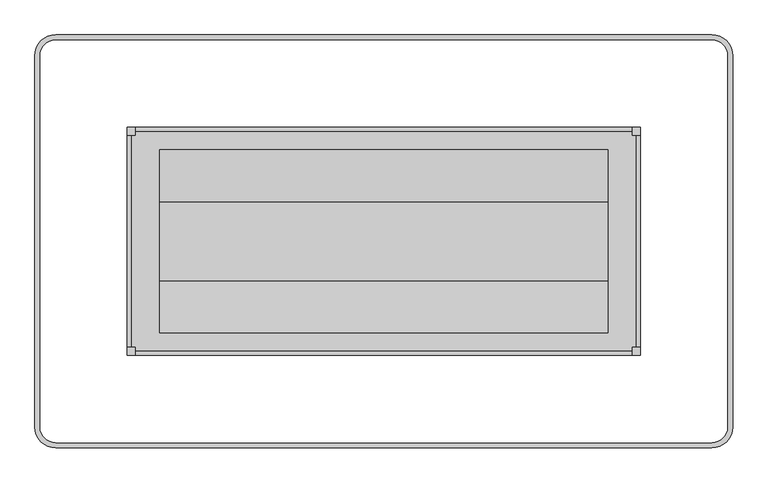
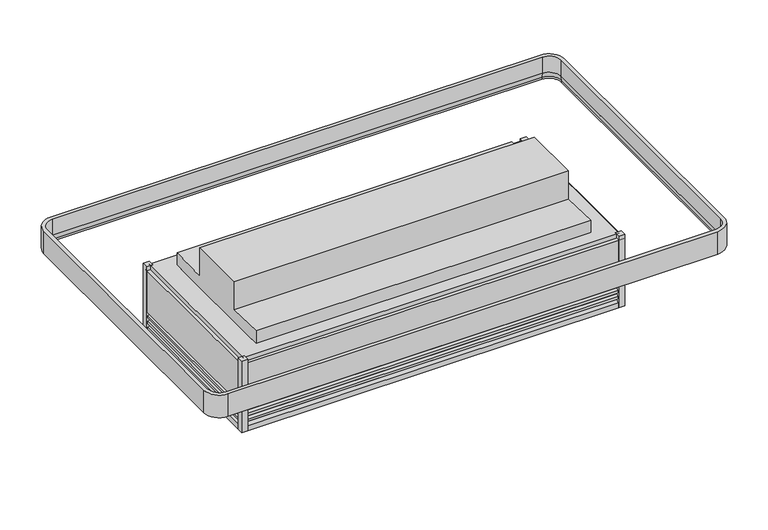
"""IFC4 building model written with IfcOpenShell, lengths in millimetres: proxy geometry."""

from ifc_helpers import new_model, si_unit, point, frame, frame_2d, origin, origin_with_axes, place, context, project, spatial, polyline, circle_curve, ellipse_curve, trimmed, segment, composite_curve, outline, extrude, source, transform, mapped, element, save
from ifc_brep_helpers import plane_surface, cylinder_surface, revolved_surface, advanced_brep


def mechanical_equipment_e218e423(model_context):
    return source(origin(), model_context, "Body", "SolidModel", [
        extrude(outline(polyline([(1866.6846585, -1349.5419805), (2171.4846585, -1349.5419805), (2171.4846585, -1451.1419805), (1866.6846585, -1451.1419805), (1866.6846585, -1349.5419805)])), frame((0.0, 0.0, 139.7), z_axis=(0.0, 0.0, 1.0), x_axis=(1.0, 0.0, 0.0)), (0.0, 0.0, 1.0), 53.975),
        extrude(outline(polyline([(2260.1606927, -1585.0986858), (2260.1606927, -1555.06782), (2290.1915585, -1555.06782), (2290.1915585, -1585.0986858), (2260.1606927, -1585.0986858)])), origin_with_axes(), (0.0, 0.0, 1.0), 374.65),
        extrude(outline(polyline([(2260.1606927, -741.6905688), (2290.1915585, -741.6905688), (2290.1915585, -771.7214346), (2260.1606927, -771.7214346), (2260.1606927, -741.6905688)])), origin_with_axes(), (0.0, 0.0, 1.0), 374.65),
        extrude(outline(polyline([(422.7143073, -1585.0986858), (392.6834415, -1585.0986858), (392.6834415, -1555.06782), (422.7143073, -1555.06782), (422.7143073, -1585.0986858)])), origin_with_axes(), (0.0, 0.0, 1.0), 374.65),
        extrude(outline(polyline([(422.7143073, -741.6905688), (422.7143073, -771.7214346), (392.6834415, -771.7214346), (392.6834415, -741.6905688), (422.7143073, -741.6905688)])), origin_with_axes(), (0.0, 0.0, 1.0), 374.65),
        advanced_brep(
        [(71.1725663, -1849.24485, 418.2976265), (128.5372773, -1906.609561, 418.2976265), (128.5372773, -1910.71285, 395.026718), (67.0692773, -1849.24485, 395.026718), (71.1725663, -1849.24485, 502.405218), (128.5372773, -1906.609561, 502.405218), (52.3316708, -1849.24485, 384.485718), (128.5372773, -1925.4504565, 384.485718), (128.5372773, -1925.4504565, 502.405218), (52.3316708, -1849.24485, 502.405218), (128.5372773, -1910.71285, 384.485718), (67.0692773, -1849.24485, 384.485718), (67.0692773, -477.5444046, 395.026718), (71.1725663, -477.5444046, 418.2976265), (71.1725663, -477.5444046, 502.405218), (52.3316708, -477.5444046, 502.405218), (52.3316708, -477.5444046, 384.485718), (67.0692773, -477.5444046, 384.485718), (128.5372773, -420.1796936, 418.2976265), (128.5372773, -416.0764046, 395.026718), (128.5372773, -420.1796936, 502.405218), (128.5372773, -401.3387981, 384.485718), (128.5372773, -401.3387981, 502.405218), (128.5372773, -416.0764046, 384.485718), (2554.3377227, -416.0764046, 395.026718), (2554.3377227, -420.1796936, 418.2976265), (2554.3377227, -420.1796936, 502.405218), (2554.3377227, -401.3387981, 502.405218), (2554.3377227, -401.3387981, 384.485718), (2554.3377227, -416.0764046, 384.485718), (2611.7024337, -477.5444046, 418.2976265), (2615.8057227, -477.5444046, 395.026718), (2611.7024337, -477.5444046, 502.405218), (2630.5433292, -477.5444046, 384.485718), (2630.5433292, -477.5444046, 502.405218), (2615.8057227, -477.5444046, 384.485718), (2615.8057227, -1849.24485, 395.026718), (2611.7024337, -1849.24485, 418.2976265), (2611.7024337, -1849.24485, 502.405218), (2630.5433292, -1849.24485, 502.405218), (2630.5433292, -1849.24485, 384.485718), (2615.8057227, -1849.24485, 384.485718), (2554.3377227, -1906.609561, 418.2976265), (2554.3377227, -1910.71285, 395.026718), (2554.3377227, -1906.609561, 502.405218), (2554.3377227, -1925.4504565, 384.485718), (2554.3377227, -1925.4504565, 502.405218), (2554.3377227, -1910.71285, 384.485718)],
        [
            (0, 1, circle_curve(frame((128.5372773, -1849.24485, 418.2976265), z_axis=(0.0, 0.0, 1.0), x_axis=(0.0, -1.0, 0.0)), 57.364711)),
            (1, 2),
            (2, 3, circle_curve(frame((128.5372773, -1849.24485, 395.026718), z_axis=(0.0, 0.0, -1.0), x_axis=(0.0, -1.0, 0.0)), 61.468)),
            (3, 0),
            (4, 5, circle_curve(frame((128.5372773, -1849.24485, 502.405218), z_axis=(0.0, 0.0, 1.0), x_axis=(0.0, -1.0, 0.0)), 57.364711)),
            (5, 1),
            (0, 4),
            (6, 7, circle_curve(frame((128.5372773, -1849.24485, 384.485718), z_axis=(0.0, 0.0, 1.0), x_axis=(0.0, -1.0, 0.0)), 76.2056065)),
            (7, 8),
            (8, 9, circle_curve(frame((128.5372773, -1849.24485, 502.405218), z_axis=(0.0, 0.0, -1.0), x_axis=(0.0, -1.0, 0.0)), 76.2056065)),
            (9, 6),
            (2, 10),
            (10, 11, circle_curve(frame((128.5372773, -1849.24485, 384.485718), z_axis=(0.0, 0.0, -1.0), x_axis=(0.0, -1.0, 0.0)), 61.468)),
            (11, 3),
            (3, 12),
            (12, 13),
            (13, 0),
            (13, 14),
            (14, 4),
            (9, 15),
            (15, 16),
            (16, 6),
            (11, 17),
            (17, 12),
            (18, 13, circle_curve(frame((128.5372773, -477.5444046, 418.2976265), z_axis=(0.0, 0.0, 1.0), x_axis=(-1.0, 0.0, 0.0)), 57.364711)),
            (12, 19, circle_curve(frame((128.5372773, -477.5444046, 395.026718), z_axis=(0.0, 0.0, -1.0), x_axis=(-1.0, 0.0, 0.0)), 61.468)),
            (19, 18),
            (20, 14, circle_curve(frame((128.5372773, -477.5444046, 502.405218), z_axis=(0.0, 0.0, 1.0), x_axis=(-1.0, 0.0, 0.0)), 57.364711)),
            (18, 20),
            (21, 16, circle_curve(frame((128.5372773, -477.5444046, 384.485718), z_axis=(0.0, 0.0, 1.0), x_axis=(-1.0, 0.0, 0.0)), 76.2056065)),
            (15, 22, circle_curve(frame((128.5372773, -477.5444046, 502.405218), z_axis=(0.0, 0.0, -1.0), x_axis=(-1.0, 0.0, 0.0)), 76.2056065)),
            (22, 21),
            (17, 23, circle_curve(frame((128.5372773, -477.5444046, 384.485718), z_axis=(0.0, 0.0, -1.0), x_axis=(-1.0, 0.0, 0.0)), 61.468)),
            (23, 19),
            (19, 24),
            (24, 25),
            (25, 18),
            (25, 26),
            (26, 20),
            (22, 27),
            (27, 28),
            (28, 21),
            (23, 29),
            (29, 24),
            (30, 25, circle_curve(frame((2554.3377227, -477.5444046, 418.2976265), z_axis=(0.0, 0.0, 1.0), x_axis=(0.0, 1.0, 0.0)), 57.364711)),
            (24, 31, circle_curve(frame((2554.3377227, -477.5444046, 395.026718), z_axis=(0.0, 0.0, -1.0), x_axis=(0.0, 1.0, 0.0)), 61.468)),
            (31, 30),
            (32, 26, circle_curve(frame((2554.3377227, -477.5444046, 502.405218), z_axis=(0.0, 0.0, 1.0), x_axis=(0.0, 1.0, 0.0)), 57.364711)),
            (30, 32),
            (33, 28, circle_curve(frame((2554.3377227, -477.5444046, 384.485718), z_axis=(0.0, 0.0, 1.0), x_axis=(0.0, 1.0, 0.0)), 76.2056065)),
            (27, 34, circle_curve(frame((2554.3377227, -477.5444046, 502.405218), z_axis=(0.0, 0.0, -1.0), x_axis=(0.0, 1.0, 0.0)), 76.2056065)),
            (34, 33),
            (29, 35, circle_curve(frame((2554.3377227, -477.5444046, 384.485718), z_axis=(0.0, 0.0, -1.0), x_axis=(0.0, 1.0, 0.0)), 61.468)),
            (35, 31),
            (31, 36),
            (36, 37),
            (37, 30),
            (37, 38),
            (38, 32),
            (34, 39),
            (39, 40),
            (40, 33),
            (35, 41),
            (41, 36),
            (42, 37, circle_curve(frame((2554.3377227, -1849.24485, 418.2976265), z_axis=(0.0, 0.0, 1.0), x_axis=(1.0, 0.0, 0.0)), 57.364711)),
            (36, 43, circle_curve(frame((2554.3377227, -1849.24485, 395.026718), z_axis=(0.0, 0.0, -1.0), x_axis=(1.0, 0.0, 0.0)), 61.468)),
            (43, 42),
            (44, 38, circle_curve(frame((2554.3377227, -1849.24485, 502.405218), z_axis=(0.0, 0.0, 1.0), x_axis=(1.0, 0.0, 0.0)), 57.364711)),
            (42, 44),
            (45, 40, circle_curve(frame((2554.3377227, -1849.24485, 384.485718), z_axis=(0.0, 0.0, 1.0), x_axis=(1.0, 0.0, 0.0)), 76.2056065)),
            (39, 46, circle_curve(frame((2554.3377227, -1849.24485, 502.405218), z_axis=(0.0, 0.0, -1.0), x_axis=(1.0, 0.0, 0.0)), 76.2056065)),
            (46, 45),
            (41, 47, circle_curve(frame((2554.3377227, -1849.24485, 384.485718), z_axis=(0.0, 0.0, -1.0), x_axis=(1.0, 0.0, 0.0)), 61.468)),
            (47, 43),
            (43, 2),
            (1, 42),
            (5, 44),
            (8, 46),
            (7, 45),
            (10, 47),
        ],
        [
            revolved_surface(polyline([(128.5372773, -1910.71285, 395.026718), (128.5372773, -1906.609561, 418.2976265)]), (128.5372773, -1849.24485, 0.0), (0.0, 0.0, -1.0)),
            revolved_surface(polyline([(128.5372773, -1906.609561, 418.2976265), (128.5372773, -1906.609561, 502.405218)]), (128.5372773, -1849.24485, 0.0), (0.0, 0.0, -1.0)),
            cylinder_surface(frame((128.5372773, -1849.24485, 0.0), z_axis=(0.0, 0.0, -1.0), x_axis=(0.0, -1.0, 0.0)), 76.2056065),
            revolved_surface(polyline([(128.5372773, -1910.7128500000001, 384.485718), (128.5372773, -1910.7128500000001, 395.026718)]), (128.5372773, -1849.24485, 0.0), (0.0, 0.0, -1.0)),
            plane_surface(frame((67.0692773, -1849.24485, 395.026718), z_axis=(0.9848077530122059, 0.0, -0.17364817766694263), x_axis=(0.0, 1.0, 0.0))),
            plane_surface(frame((71.1725663, -1849.24485, 418.2976265), z_axis=(1.0, 0.0, 0.0), x_axis=(0.0, 1.0, 0.0))),
            plane_surface(frame((52.3316708, -1849.24485, 502.405218), z_axis=(-1.0, 0.0, 0.0), x_axis=(0.0, 1.0, 0.0))),
            plane_surface(frame((67.0692773, -1849.24485, 384.485718), z_axis=(1.0, 0.0, 0.0), x_axis=(0.0, 1.0, 0.0))),
            revolved_surface(polyline([(67.0692773, -477.5444046, 395.026718), (71.1725663, -477.5444046, 418.2976265)]), (128.5372773, -477.5444046, 0.0), (0.0, 0.0, -1.0)),
            revolved_surface(polyline([(71.1725663, -477.5444046, 418.2976265), (71.1725663, -477.5444046, 502.405218)]), (128.5372773, -477.5444046, 0.0), (0.0, 0.0, -1.0)),
            cylinder_surface(frame((128.5372773, -477.5444046, 0.0), z_axis=(0.0, 0.0, -1.0), x_axis=(-1.0, 0.0, 0.0)), 76.2056065),
            revolved_surface(polyline([(67.0692773, -477.5444046, 384.485718), (67.0692773, -477.5444046, 395.026718)]), (128.5372773, -477.5444046, 0.0), (0.0, 0.0, -1.0)),
            plane_surface(frame((128.5372773, -416.0764046, 395.026718), z_axis=(0.0, -0.9848077530122059, -0.17364817766694263), x_axis=(1.0, 0.0, 0.0))),
            plane_surface(frame((128.5372773, -420.1796936, 418.2976265), z_axis=(0.0, -1.0, 0.0), x_axis=(1.0, 0.0, 0.0))),
            plane_surface(frame((128.5372773, -401.3387981, 502.405218), z_axis=(0.0, 1.0, 0.0), x_axis=(1.0, 0.0, 0.0))),
            plane_surface(frame((128.5372773, -416.0764046, 384.485718), z_axis=(0.0, -1.0, 0.0), x_axis=(1.0, 0.0, 0.0))),
            revolved_surface(polyline([(2554.3377227, -416.0764046, 395.026718), (2554.3377227, -420.1796936, 418.2976265)]), (2554.3377227, -477.5444046, 0.0), (0.0, 0.0, -1.0)),
            revolved_surface(polyline([(2554.3377227, -420.1796936, 418.2976265), (2554.3377227, -420.1796936, 502.405218)]), (2554.3377227, -477.5444046, 0.0), (0.0, 0.0, -1.0)),
            cylinder_surface(frame((2554.3377227, -477.5444046, 0.0), z_axis=(0.0, 0.0, -1.0), x_axis=(0.0, 1.0, 0.0)), 76.2056065),
            revolved_surface(polyline([(2554.3377227, -416.0764046, 384.485718), (2554.3377227, -416.0764046, 395.026718)]), (2554.3377227, -477.5444046, 0.0), (0.0, 0.0, -1.0)),
            plane_surface(frame((2615.8057227, -477.5444046, 395.026718), z_axis=(-0.9848077530122059, 0.0, -0.17364817766694263), x_axis=(0.0, -1.0, 0.0))),
            plane_surface(frame((2611.7024337, -477.5444046, 418.2976265), z_axis=(-1.0, 0.0, 0.0), x_axis=(0.0, -1.0, 0.0))),
            plane_surface(frame((2630.5433292, -477.5444046, 502.405218), z_axis=(1.0, 0.0, 0.0), x_axis=(0.0, -1.0, 0.0))),
            plane_surface(frame((2615.8057227, -477.5444046, 384.485718), z_axis=(-1.0, 0.0, 0.0), x_axis=(0.0, -1.0, 0.0))),
            revolved_surface(polyline([(2615.8057227, -1849.24485, 395.026718), (2611.7024337, -1849.24485, 418.2976265)]), (2554.3377227, -1849.24485, 0.0), (0.0, 0.0, -1.0)),
            revolved_surface(polyline([(2611.7024337000003, -1849.24485, 418.2976265), (2611.7024337000003, -1849.24485, 502.405218)]), (2554.3377227, -1849.24485, 0.0), (0.0, 0.0, -1.0)),
            cylinder_surface(frame((2554.3377227, -1849.24485, 0.0), z_axis=(0.0, 0.0, -1.0), x_axis=(1.0, 0.0, 0.0)), 76.2056065),
            revolved_surface(polyline([(2615.8057227, -1849.24485, 384.485718), (2615.8057227, -1849.24485, 395.026718)]), (2554.3377227, -1849.24485, 0.0), (0.0, 0.0, -1.0)),
            plane_surface(frame((2554.3377227, -1910.71285, 395.026718), z_axis=(0.0, 0.9848077530122059, -0.17364817766694263), x_axis=(-1.0, 0.0, 0.0))),
            plane_surface(frame((2554.3377227, -1906.609561, 418.2976265), z_axis=(0.0, 1.0, 0.0), x_axis=(-1.0, 0.0, 0.0))),
            plane_surface(frame((2554.3377227, -1906.609561, 502.405218), z_axis=(0.0, 0.0, 1.0), x_axis=(-1.0, 0.0, 0.0))),
            plane_surface(frame((2554.3377227, -1925.4504565, 502.405218), z_axis=(0.0, -1.0, 0.0), x_axis=(-1.0, 0.0, 0.0))),
            plane_surface(frame((2554.3377227, -1925.4504565, 384.485718), z_axis=(0.0, 0.0, -1.0), x_axis=(-1.0, 0.0, 0.0))),
            plane_surface(frame((2554.3377227, -1910.71285, 384.485718), z_axis=(0.0, 1.0, 0.0), x_axis=(-1.0, 0.0, 0.0))),
        ],
        [
            (0, [[1, 2, 3, 4]]),
            (1, [[5, 6, -1, 7]]),
            (2, [[8, 9, 10, 11]]),
            (3, [[-3, 12, 13, 14]]),
            (4, [[-4, 15, 16, 17]]),
            (5, [[-7, -17, 18, 19]]),
            (6, [[-11, 20, 21, 22]]),
            (7, [[-14, 23, 24, -15]]),
            (8, [[25, -16, 26, 27]]),
            (9, [[28, -18, -25, 29]]),
            (10, [[30, -21, 31, 32]]),
            (11, [[-26, -24, 33, 34]]),
            (12, [[-27, 35, 36, 37]]),
            (13, [[-29, -37, 38, 39]]),
            (14, [[-32, 40, 41, 42]]),
            (15, [[-34, 43, 44, -35]]),
            (16, [[45, -36, 46, 47]]),
            (17, [[48, -38, -45, 49]]),
            (18, [[50, -41, 51, 52]]),
            (19, [[-46, -44, 53, 54]]),
            (20, [[-47, 55, 56, 57]]),
            (21, [[-49, -57, 58, 59]]),
            (22, [[-52, 60, 61, 62]]),
            (23, [[-54, 63, 64, -55]]),
            (24, [[65, -56, 66, 67]]),
            (25, [[68, -58, -65, 69]]),
            (26, [[70, -61, 71, 72]]),
            (27, [[-66, -64, 73, 74]]),
            (28, [[-67, 75, -2, 76]]),
            (29, [[-69, -76, -6, 77]]),
            (30, [[78, -71, -60, -51, -40, -31, -20, -10], [-59, -68, -77, -5, -19, -28, -39, -48]]),
            (31, [[-72, -78, -9, 79]]),
            (32, [[-62, -70, -79, -8, -22, -30, -42, -50], [80, -73, -63, -53, -43, -33, -23, -13]]),
            (33, [[-74, -80, -12, -75]]),
        ],
    ),
        extrude(outline(composite_curve([segment(trimmed(circle_curve(frame_2d((1341.4375, -1163.895984)), 19.05), [point((1322.3875, -1163.895984))], [point((1360.4875, -1163.895984))], False, "CARTESIAN"), True, "CONTINUOUS"), segment(trimmed(circle_curve(frame_2d((1341.4375, -1163.895984)), 19.05), [point((1360.4875, -1163.895984))], [point((1322.3875, -1163.895984))], False, "CARTESIAN"), True, "CONTINUOUS")], self_intersect=False)), frame((0.0, 0.0, 65.7084982), z_axis=(0.0, 0.0, 1.0), x_axis=(1.0, 0.0, 0.0)), (0.0, 0.0, 1.0), 188.2915018),
        extrude(outline(composite_curve([segment(trimmed(circle_curve(frame_2d((927.243196, -839.5446273)), 11.1125), [point((916.130696, -839.5446273))], [point((938.355696, -839.5446273))], False, "CARTESIAN"), True, "CONTINUOUS"), segment(trimmed(circle_curve(frame_2d((927.243196, -839.5446273)), 11.1125), [point((938.355696, -839.5446273))], [point((916.130696, -839.5446273))], False, "CARTESIAN"), True, "CONTINUOUS")], self_intersect=False)), frame((0.0, 0.0, 76.8737583), z_axis=(0.0, 0.0, 1.0), x_axis=(1.0, 0.0, 0.0)), (0.0, 0.0, 1.0), 177.1262417),
        extrude(outline(composite_curve([segment(trimmed(circle_curve(frame_2d((952.1028435, -839.5446273)), 4.7625), [point((947.3403435, -839.5446273))], [point((956.8653435, -839.5446273))], False, "CARTESIAN"), True, "CONTINUOUS"), segment(trimmed(circle_curve(frame_2d((952.1028435, -839.5446273)), 4.7625), [point((956.8653435, -839.5446273))], [point((947.3403435, -839.5446273))], False, "CARTESIAN"), True, "CONTINUOUS")], self_intersect=False)), frame((0.0, 0.0, 76.8737583), z_axis=(0.0, 0.0, 1.0), x_axis=(1.0, 0.0, 0.0)), (0.0, 0.0, 1.0), 177.1262417),
        advanced_brep(
        [(392.9194211, -1584.8627062, 354.3983804), (392.9194211, -1584.8627062, 139.7), (2289.9555789, -1584.8627062, 139.7), (2289.9555789, -1584.8627062, 354.3983804), (410.8264211, -1566.9557062, 374.65), (410.8264211, -1566.9557062, 354.3983804), (2272.0485789, -1566.9557062, 354.3983804), (2272.0485789, -1566.9557062, 374.65), (512.4264211, -1465.3557062, 139.7), (512.4264211, -1465.3557062, 374.65), (2170.4485789, -1465.3557062, 374.65), (2170.4485789, -1465.3557062, 198.7540798), (1863.3866321, -1465.3557062, 198.7540798), (1863.3866321, -1465.3557062, 139.7), (2289.9555789, -741.9265484, 139.7), (2289.9555789, -741.9265484, 354.3983804), (2272.0485789, -759.8335484, 354.3983804), (2272.0485789, -759.8335484, 374.65), (2170.4485789, -861.4335484, 374.65), (2170.4485789, -861.4335484, 139.7), (2170.4485789, -1332.4893336, 139.7), (2170.4485789, -1332.4893336, 198.7540798), (392.9194211, -741.9265484, 139.7), (392.9194211, -741.9265484, 354.3983804), (410.8264211, -759.8335484, 354.3983804), (410.8264211, -759.8335484, 374.65), (512.4264211, -861.4335484, 374.65), (512.4264211, -861.4335484, 139.7), (918.3888558, -861.4335484, 139.7), (918.3888558, -861.4335484, 254.0), (964.3861442, -861.4335484, 254.0), (964.3861442, -861.4335484, 139.7), (1863.3866321, -1468.1946273, 139.7), (2174.5366321, -1468.1946273, 139.7), (2174.5366321, -1332.4893336, 139.7), (973.1375, -839.5446273, 139.7), (909.6375, -839.5446273, 139.7), (909.6375, -839.5446273, 254.0), (973.1375, -839.5446273, 254.0), (2174.5366321, -1332.4893336, 198.7540798), (2174.5366321, -1468.1946273, 198.7540798), (1863.3866321, -1468.1946273, 198.7540798)],
        [
            (0, 1),
            (1, 2),
            (2, 3),
            (3, 0),
            (4, 5),
            (5, 6),
            (6, 7),
            (7, 4),
            (8, 9),
            (9, 10),
            (10, 11),
            (11, 12),
            (12, 13),
            (13, 8),
            (2, 14),
            (14, 15),
            (15, 3),
            (6, 16),
            (16, 17),
            (17, 7),
            (10, 18),
            (18, 19),
            (19, 20),
            (20, 21),
            (21, 11),
            (14, 22),
            (22, 23),
            (23, 15),
            (16, 24),
            (24, 25),
            (25, 17),
            (18, 26),
            (26, 27),
            (27, 28),
            (28, 29),
            (29, 30),
            (30, 31),
            (31, 19),
            (0, 23),
            (22, 1),
            (5, 24),
            (4, 25),
            (9, 26),
            (8, 27),
            (13, 32),
            (32, 33),
            (33, 34),
            (34, 20),
            (31, 35, circle_curve(frame((941.3875, -839.5446273, 139.7), z_axis=(0.0, 0.0, 1.0), x_axis=(1.0, 0.0, 0.0)), 31.75)),
            (35, 36, circle_curve(frame((941.3875, -839.5446273, 139.7), z_axis=(0.0, 0.0, 1.0), x_axis=(1.0, 0.0, 0.0)), 31.75)),
            (36, 28, circle_curve(frame((941.3875, -839.5446273, 139.7), z_axis=(0.0, 0.0, 1.0), x_axis=(1.0, 0.0, 0.0)), 31.75)),
            (37, 38, circle_curve(frame((941.3875, -839.5446273, 254.0), z_axis=(0.0, 0.0, -1.0), x_axis=(1.0, 0.0, 0.0)), 31.75)),
            (38, 30, circle_curve(frame((941.3875, -839.5446273, 254.0), z_axis=(0.0, 0.0, -1.0), x_axis=(1.0, 0.0, 0.0)), 31.75)),
            (29, 37, circle_curve(frame((941.3875, -839.5446273, 254.0), z_axis=(0.0, 0.0, -1.0), x_axis=(1.0, 0.0, 0.0)), 31.75)),
            (38, 35),
            (36, 37),
            (39, 40),
            (40, 41),
            (41, 12),
            (21, 39),
            (40, 33),
            (32, 41),
            (39, 34),
        ],
        [
            plane_surface(frame((392.9194211, -1584.8627062, 139.7), z_axis=(0.0, -1.0, 0.0), x_axis=(1.0, 0.0, 0.0))),
            plane_surface(frame((410.8264211, -1566.9557062, 354.3983804), z_axis=(0.0, -1.0, 0.0), x_axis=(1.0, 0.0, 0.0))),
            plane_surface(frame((512.4264211, -1465.3557062, 374.65), z_axis=(0.0, 1.0, 0.0), x_axis=(1.0, 0.0, 0.0))),
            plane_surface(frame((2289.9555789, -1584.8627062, 139.7), z_axis=(1.0, 0.0, 0.0), x_axis=(0.0, 1.0, 0.0))),
            plane_surface(frame((2272.0485789, -1566.9557062, 354.3983804), z_axis=(1.0, 0.0, 0.0), x_axis=(0.0, 1.0, 0.0))),
            plane_surface(frame((2170.4485789, -1465.3557062, 374.65), z_axis=(-1.0, 0.0, 0.0), x_axis=(0.0, 1.0, 0.0))),
            plane_surface(frame((2289.9555789, -741.9265484, 139.7), z_axis=(0.0, 1.0, 0.0), x_axis=(-1.0, 0.0, 0.0))),
            plane_surface(frame((2272.0485789, -759.8335484, 354.3983804), z_axis=(0.0, 1.0, 0.0), x_axis=(-1.0, 0.0, 0.0))),
            plane_surface(frame((2170.4485789, -861.4335484, 374.65), z_axis=(0.0, -1.0, 0.0), x_axis=(-1.0, 0.0, 0.0))),
            plane_surface(frame((392.9194211, -741.9265484, 139.7), z_axis=(-1.0, 0.0, 0.0), x_axis=(0.0, -1.0, 0.0))),
            plane_surface(frame((392.9194211, -741.9265484, 354.3983804), z_axis=(0.0, 0.0, 1.0), x_axis=(0.0, -1.0, 0.0))),
            plane_surface(frame((410.8264211, -759.8335484, 354.3983804), z_axis=(-1.0, 0.0, 0.0), x_axis=(0.0, -1.0, 0.0))),
            plane_surface(frame((410.8264211, -759.8335484, 374.65), z_axis=(0.0, 0.0, 1.0), x_axis=(0.0, -1.0, 0.0))),
            plane_surface(frame((512.4264211, -861.4335484, 374.65), z_axis=(1.0, 0.0, 0.0), x_axis=(0.0, -1.0, 0.0))),
            plane_surface(frame((512.4264211, -861.4335484, 139.7), z_axis=(0.0, 0.0, -1.0), x_axis=(0.0, -1.0, 0.0))),
            plane_surface(frame((973.1375, -839.5446273, 254.0), z_axis=(0.0, 0.0, -1.0), x_axis=(0.0, 1.0, 0.0))),
            revolved_surface(polyline([(973.1375, -839.5446273, 254.0), (973.1375, -839.5446273, 139.7)]), (941.3875, -839.5446273, 0.0), (0.0, 0.0, 1.0)),
            plane_surface(frame((2174.5366321, -1468.1946273, 198.7540798), z_axis=(0.0, 0.0, -1.0), x_axis=(1.0, 0.0, 0.0))),
            plane_surface(frame((1863.3866321, -1468.1946273, 198.7540798), z_axis=(0.0, 1.0, 0.0), x_axis=(0.0, 0.0, -1.0))),
            plane_surface(frame((2174.5366321, -1468.1946273, 198.7540798), z_axis=(-1.0, 0.0, 0.0), x_axis=(0.0, 0.0, -1.0))),
            plane_surface(frame((2174.5366321, -1332.4893336, 198.7540798), z_axis=(0.0, -1.0, 0.0), x_axis=(0.0, 0.0, -1.0))),
            plane_surface(frame((1863.3866321, -1332.4893336, 198.7540798), z_axis=(1.0, 0.0, 0.0), x_axis=(0.0, 0.0, -1.0))),
        ],
        [
            (0, [[1, 2, 3, 4]]),
            (1, [[5, 6, 7, 8]]),
            (2, [[9, 10, 11, 12, 13, 14]]),
            (3, [[-3, 15, 16, 17]]),
            (4, [[-7, 18, 19, 20]]),
            (5, [[21, 22, 23, 24, 25, -11]]),
            (6, [[-16, 26, 27, 28]]),
            (7, [[-19, 29, 30, 31]]),
            (8, [[-22, 32, 33, 34, 35, 36, 37, 38]]),
            (9, [[-1, 39, -27, 40]]),
            (10, [[-4, -17, -28, -39], [-6, 41, -29, -18]]),
            (11, [[-5, 42, -30, -41]]),
            (12, [[-8, -20, -31, -42], [-10, 43, -32, -21]]),
            (13, [[-9, 44, -33, -43]]),
            (14, [[-2, -40, -26, -15], [-44, -14, 45, 46, 47, 48, -23, -38, 49, 50, 51, -34]]),
            (15, [[52, 53, -36, 54]]),
            (16, [[-53, 55, -49, -37]]),
            (16, [[-54, -35, -51, 56]]),
            (16, [[-52, -56, -50, -55]]),
            (17, [[57, 58, 59, -12, -25, 60]]),
            (18, [[-58, 61, -46, 62]]),
            (19, [[-57, 63, -47, -61]]),
            (20, [[-60, -24, -48, -63]]),
            (21, [[-59, -62, -45, -13]]),
        ],
    ),
        advanced_brep(
        [(2170.4485789, -861.4335484, 374.65), (2170.4485789, -824.9422387, 374.65), (2170.4485789, -824.9422387, 439.7810985), (2170.4485789, -1018.3801194, 432.6802077), (2170.4485789, -1018.3801194, 581.214329), (2170.4485789, -1308.4091352, 581.214329), (2170.4485789, -1308.4091352, 432.6802077), (2170.4485789, -1501.8470159, 439.7810985), (2170.4485789, -1501.8470159, 374.65), (2170.4485789, -1465.3557062, 374.65), (2170.4485789, -1465.3557062, 198.7540798), (2170.4485789, -1332.4893336, 198.7540798), (2170.4485789, -1332.4893336, 139.7), (2170.4485789, -861.4335484, 139.7), (512.4264211, -861.4335484, 374.65), (512.4264211, -861.4335484, 139.7), (512.4264211, -1465.3557062, 139.7), (512.4264211, -1465.3557062, 374.65), (512.4264211, -1501.8470159, 374.65), (512.4264211, -1501.8470159, 439.7810985), (512.4264211, -1308.4091352, 432.6802077), (512.4264211, -1308.4091352, 581.214329), (512.4264211, -1018.3801194, 581.214329), (512.4264211, -1018.3801194, 432.6802077), (512.4264211, -824.9422387, 439.7810985), (512.4264211, -824.9422387, 374.65), (1863.3866321, -1465.3557062, 139.7), (1863.3866321, -1465.3557062, 198.7540798), (918.3888558, -861.4335484, 139.7), (964.3861442, -861.4335484, 139.7), (1863.3866321, -1332.4893336, 139.7), (1316.0375, -1163.895984, 139.7), (1366.8375, -1163.895984, 139.7), (964.3861442, -861.4335484, 254.0), (918.3888558, -861.4335484, 254.0), (1316.0375, -1163.895984, 254.0), (1366.8375, -1163.895984, 254.0), (1863.3866321, -1332.4893336, 198.7540798)],
        [
            (0, 1),
            (1, 2),
            (2, 3),
            (3, 4),
            (4, 5),
            (5, 6),
            (6, 7),
            (7, 8),
            (8, 9),
            (9, 10),
            (10, 11),
            (11, 12),
            (12, 13),
            (13, 0),
            (14, 15),
            (15, 16),
            (16, 17),
            (17, 18),
            (18, 19),
            (19, 20),
            (20, 21),
            (21, 22),
            (22, 23),
            (23, 24),
            (24, 25),
            (25, 14),
            (0, 14),
            (25, 1),
            (3, 23),
            (22, 4),
            (21, 5),
            (20, 6),
            (16, 26),
            (26, 27),
            (27, 10),
            (9, 17),
            (15, 28),
            (28, 29, circle_curve(frame((941.3875, -839.5446273, 139.7), z_axis=(0.0, 0.0, 1.0), x_axis=(1.0, 0.0, 0.0)), 31.75)),
            (29, 13),
            (12, 30),
            (30, 26),
            (31, 32, circle_curve(frame((1341.4375, -1163.895984, 139.7), z_axis=(0.0, 0.0, 1.0), x_axis=(1.0, 0.0, 0.0)), 25.4)),
            (32, 31, circle_curve(frame((1341.4375, -1163.895984, 139.7), z_axis=(0.0, 0.0, 1.0), x_axis=(1.0, 0.0, 0.0)), 25.4)),
            (29, 33),
            (33, 34),
            (34, 28),
            (24, 2),
            (19, 7),
            (18, 8),
            (33, 34, circle_curve(frame((941.3875, -839.5446273, 254.0), z_axis=(0.0, 0.0, -1.0), x_axis=(1.0, 0.0, 0.0)), 31.75)),
            (35, 36, circle_curve(frame((1341.4375, -1163.895984, 254.0), z_axis=(0.0, 0.0, -1.0), x_axis=(1.0, 0.0, 0.0)), 25.4)),
            (36, 35, circle_curve(frame((1341.4375, -1163.895984, 254.0), z_axis=(0.0, 0.0, -1.0), x_axis=(1.0, 0.0, 0.0)), 25.4)),
            (36, 32),
            (31, 35),
            (27, 37),
            (37, 11),
            (37, 30),
        ],
        [
            plane_surface(frame((2170.4485789, -861.4335484, 374.65), z_axis=(1.0, 0.0, 0.0), x_axis=(0.0, 1.0, 0.0))),
            plane_surface(frame((512.4264211, -861.4335484, 374.65), z_axis=(-1.0, 0.0, 0.0), x_axis=(0.0, -1.0, 0.0))),
            plane_surface(frame((2170.4485789, -861.4335484, 374.65), z_axis=(0.0, 0.0, -1.0), x_axis=(-1.0, 0.0, 0.0))),
            plane_surface(frame((2170.4485789, -1018.3801194, 432.6802077), z_axis=(0.0, 1.0, 0.0), x_axis=(-1.0, 0.0, 0.0))),
            plane_surface(frame((2170.4485789, -1018.3801194, 581.214329), z_axis=(0.0, 0.0, 1.0), x_axis=(-1.0, 0.0, 0.0))),
            plane_surface(frame((2170.4485789, -1308.4091352, 581.214329), z_axis=(0.0, -1.0, 0.0), x_axis=(-1.0, 0.0, 0.0))),
            plane_surface(frame((2170.4485789, -1465.3557062, 374.65), z_axis=(0.0, -1.0, 0.0), x_axis=(-1.0, 0.0, 0.0))),
            plane_surface(frame((2170.4485789, -1465.3557062, 139.7), z_axis=(0.0, 0.0, -1.0), x_axis=(-1.0, 0.0, 0.0))),
            plane_surface(frame((2170.4485789, -861.4335484, 139.7), z_axis=(0.0, 1.0, 0.0), x_axis=(-1.0, 0.0, 0.0))),
            plane_surface(frame((2170.4485789, -824.9422387, 374.65), z_axis=(0.0, 1.0, 0.0), x_axis=(-1.0, 0.0, 0.0))),
            plane_surface(frame((2170.4485789, -824.9422387, 439.7810985), z_axis=(0.0, -0.03668418616411719, 0.9993269087168004), x_axis=(-1.0, 0.0, 0.0))),
            plane_surface(frame((2170.4485789, -1308.4091352, 432.6802077), z_axis=(0.0, 0.03668418616411245, 0.9993269087168006), x_axis=(-1.0, 0.0, 0.0))),
            plane_surface(frame((2170.4485789, -1501.8470159, 439.7810985), z_axis=(0.0, -1.0, 0.0), x_axis=(-1.0, 0.0, 0.0))),
            plane_surface(frame((2170.4485789, -1501.8470159, 374.65), z_axis=(0.0, 0.0, -1.0), x_axis=(-1.0, 0.0, 0.0))),
            plane_surface(frame((973.1375, -839.5446273, 254.0), z_axis=(0.0, 0.0, -1.0), x_axis=(0.0, 1.0, 0.0))),
            revolved_surface(polyline([(973.1375, -839.5446273, 254.0), (973.1375, -839.5446273, 139.7)]), (941.3875, -839.5446273, 0.0), (0.0, 0.0, 1.0)),
            plane_surface(frame((1366.8375, -1163.895984, 254.0), z_axis=(0.0, 0.0, -1.0), x_axis=(0.0, 1.0, 0.0))),
            revolved_surface(polyline([(1366.8375, -1163.895984, 254.0), (1366.8375, -1163.895984, 139.7)]), (1341.4375, -1163.895984, 0.0), (0.0, 0.0, 1.0)),
            plane_surface(frame((2174.5366321, -1468.1946273, 198.7540798), z_axis=(0.0, 0.0, -1.0), x_axis=(1.0, 0.0, 0.0))),
            plane_surface(frame((2174.5366321, -1332.4893336, 198.7540798), z_axis=(0.0, -1.0, 0.0), x_axis=(0.0, 0.0, -1.0))),
            plane_surface(frame((1863.3866321, -1332.4893336, 198.7540798), z_axis=(1.0, 0.0, 0.0), x_axis=(0.0, 0.0, -1.0))),
        ],
        [
            (0, [[1, 2, 3, 4, 5, 6, 7, 8, 9, 10, 11, 12, 13, 14]]),
            (1, [[15, 16, 17, 18, 19, 20, 21, 22, 23, 24, 25, 26]]),
            (2, [[-1, 27, -26, 28]]),
            (3, [[-4, 29, -23, 30]]),
            (4, [[-5, -30, -22, 31]]),
            (5, [[-6, -31, -21, 32]]),
            (6, [[-17, 33, 34, 35, -10, 36]]),
            (7, [[-16, 37, 38, 39, -13, 40, 41, -33], [42, 43]]),
            (8, [[-14, -39, 44, 45, 46, -37, -15, -27]]),
            (9, [[-2, -28, -25, 47]]),
            (10, [[-3, -47, -24, -29]]),
            (11, [[-7, -32, -20, 48]]),
            (12, [[-8, -48, -19, 49]]),
            (13, [[-9, -49, -18, -36]]),
            (14, [[50, -45]]),
            (15, [[-50, -44, -38, -46]]),
            (16, [[51, 52]]),
            (17, [[-52, 53, -42, 54]]),
            (17, [[-51, -54, -43, -53]]),
            (18, [[55, 56, -11, -35]]),
            (19, [[-56, 57, -40, -12]]),
            (20, [[-55, -34, -41, -57]]),
        ],
    ),
        advanced_brep(
        [(406.3012444, -1571.4808829, 34.7363151), (392.6834415, -1585.0986858, 25.1290022), (2290.1915585, -1585.0986858, 25.1290022), (2276.5737556, -1571.4808829, 34.7363151), (2273.0846585, -1567.9917858, 45.9015752), (409.7903415, -1567.9917858, 45.9015752), (2283.7218537, -1578.628981, 43.7437524), (399.1531463, -1578.628981, 43.7437524), (397.1592463, -1580.622881, 56.4437524), (397.1592463, -1580.622881, 43.7437524), (2285.7157537, -1580.622881, 43.7437524), (2285.7157537, -1580.622881, 56.4437524), (2276.5737556, -1571.4808829, 65.7084982), (406.3012444, -1571.4808829, 65.7084982), (2273.0846585, -1567.9917858, 76.8737583), (409.7903415, -1567.9917858, 76.8737583), (2283.7218537, -1578.628981, 74.7159355), (399.1531463, -1578.628981, 74.7159355), (397.1592463, -1580.622881, 87.4159355), (397.1592463, -1580.622881, 74.7159355), (2285.7157537, -1580.622881, 74.7159355), (2285.7157537, -1580.622881, 87.4159355), (2276.5737556, -1571.4808829, 96.6806813), (406.3012444, -1571.4808829, 96.6806813), (2273.0846585, -1567.9917858, 107.7194894), (409.7903415, -1567.9917858, 107.7194894), (2283.7218537, -1578.628981, 105.6883055), (399.1531463, -1578.628981, 105.6883055), (397.1592463, -1580.622881, 118.3883055), (397.1592463, -1580.622881, 105.6883055), (2285.7157537, -1580.622881, 105.6883055), (2285.7157537, -1580.622881, 118.3883055), (2273.0846585, -1567.9917858, 131.0881186), (409.7903415, -1567.9917858, 131.0881186), (2273.0846585, -1567.9917858, 139.7), (409.7903415, -1567.9917858, 139.7), (416.1403415, -1561.6417858, 0.0), (416.1403415, -1561.6417858, 139.7), (2266.7346585, -1561.6417858, 139.7), (2266.7346585, -1561.6417858, 0.0), (392.6834415, -1585.0986858, 0.0), (2290.1915585, -1585.0986858, 0.0), (2290.1915585, -741.6905688, 25.1290022), (2276.5737556, -755.3083717, 34.7363151), (2273.0846585, -758.7974688, 45.9015752), (2283.7218537, -748.1602736, 43.7437524), (2285.7157537, -746.1663736, 43.7437524), (2285.7157537, -746.1663736, 56.4437524), (2276.5737556, -755.3083717, 65.7084982), (2273.0846585, -758.7974688, 76.8737583), (2283.7218537, -748.1602736, 74.7159355), (2285.7157537, -746.1663736, 74.7159355), (2285.7157537, -746.1663736, 87.4159355), (2276.5737556, -755.3083717, 96.6806813), (2273.0846585, -758.7974688, 107.7194894), (2283.7218537, -748.1602736, 105.6883055), (2285.7157537, -746.1663736, 105.6883055), (2285.7157537, -746.1663736, 118.3883055), (2273.0846585, -758.7974688, 131.0881186), (2273.0846585, -758.7974688, 139.7), (2266.7346585, -765.1474688, 139.7), (2266.7346585, -765.1474688, 0.0), (2290.1915585, -741.6905688, 0.0), (392.6834415, -741.6905688, 25.1290022), (406.3012444, -755.3083717, 34.7363151), (409.7903415, -758.7974688, 45.9015752), (399.1531463, -748.1602736, 43.7437524), (397.1592463, -746.1663736, 43.7437524), (397.1592463, -746.1663736, 56.4437524), (406.3012444, -755.3083717, 65.7084982), (409.7903415, -758.7974688, 76.8737583), (399.1531463, -748.1602736, 74.7159355), (397.1592463, -746.1663736, 74.7159355), (397.1592463, -746.1663736, 87.4159355), (406.3012444, -755.3083717, 96.6806813), (409.7903415, -758.7974688, 107.7194894), (399.1531463, -748.1602736, 105.6883055), (397.1592463, -746.1663736, 105.6883055), (397.1592463, -746.1663736, 118.3883055), (409.7903415, -758.7974688, 131.0881186), (409.7903415, -758.7974688, 139.7), (416.1403415, -765.1474688, 139.7), (416.1403415, -765.1474688, 0.0), (392.6834415, -741.6905688, 0.0)],
        [
            (0, 1, ellipse_curve(frame((393.9674072, -1583.8147201, 37.7639313), z_axis=(-0.7071067811865475, 0.7071067811865475, 0.0), x_axis=(0.7071067811865476, 0.7071067811865474, 0.0)), 17.9605122, 12.7)),
            (1, 2),
            (2, 3, ellipse_curve(frame((2288.9075928, -1583.8147201, 37.7639313), z_axis=(0.7071067811865475, 0.7071067811865475, 0.0), x_axis=(0.7071067811865476, -0.7071067811865474, 0.0)), 17.9605122, 12.7)),
            (3, 0),
            (3, 4),
            (4, 5),
            (5, 0),
            (4, 6),
            (6, 7),
            (7, 5),
            (8, 9),
            (9, 10),
            (10, 11),
            (11, 8),
            (11, 12, ellipse_curve(frame((2288.9075928, -1583.8147201, 68.7361144), z_axis=(0.7071067811865475, 0.7071067811865475, 0.0), x_axis=(0.7071067811865476, -0.7071067811865474, 0.0)), 17.9605122, 12.7)),
            (12, 13),
            (13, 8, ellipse_curve(frame((393.9674072, -1583.8147201, 68.7361144), z_axis=(-0.7071067811865475, 0.7071067811865475, 0.0), x_axis=(0.7071067811865476, 0.7071067811865474, 0.0)), 17.9605122, 12.7)),
            (12, 14),
            (14, 15),
            (15, 13),
            (14, 16),
            (16, 17),
            (17, 15),
            (18, 19),
            (19, 20),
            (20, 21),
            (21, 18),
            (21, 22, ellipse_curve(frame((2288.9075928, -1583.8147201, 99.7082975), z_axis=(0.7071067811865475, 0.7071067811865475, 0.0), x_axis=(0.7071067811865476, -0.7071067811865474, 0.0)), 17.9605122, 12.7)),
            (22, 23),
            (23, 18, ellipse_curve(frame((393.9674072, -1583.8147201, 99.7082975), z_axis=(-0.7071067811865475, 0.7071067811865475, 0.0), x_axis=(0.7071067811865476, 0.7071067811865474, 0.0)), 17.9605122, 12.7)),
            (22, 24),
            (24, 25),
            (25, 23),
            (24, 26),
            (26, 27),
            (27, 25),
            (28, 29),
            (29, 30),
            (30, 31),
            (31, 28),
            (31, 32, ellipse_curve(frame((2285.7846585, -1580.6917858, 131.0881186), z_axis=(0.7071067811865475, 0.7071067811865475, 0.0), x_axis=(0.7071067811865476, -0.7071067811865474, 0.0)), 17.9605122, 12.7)),
            (32, 33),
            (33, 28, ellipse_curve(frame((397.0903415, -1580.6917858, 131.0881186), z_axis=(-0.7071067811865475, 0.7071067811865475, 0.0), x_axis=(0.7071067811865476, 0.7071067811865474, 0.0)), 17.9605122, 12.7)),
            (32, 34),
            (34, 35),
            (35, 33),
            (36, 37),
            (37, 38),
            (38, 39),
            (39, 36),
            (1, 40),
            (40, 41),
            (41, 2),
            (2, 42),
            (42, 43, ellipse_curve(frame((2288.9075928, -742.9745345, 37.7639313), z_axis=(-0.7071067811865475, 0.7071067811865475, 0.0), x_axis=(0.7071067811865474, 0.7071067811865476, 0.0)), 17.9605122, 12.7)),
            (43, 3),
            (43, 44),
            (44, 4),
            (44, 45),
            (45, 6),
            (10, 46),
            (46, 47),
            (47, 11),
            (47, 48, ellipse_curve(frame((2288.9075928, -742.9745345, 68.7361144), z_axis=(-0.7071067811865475, 0.7071067811865475, 0.0), x_axis=(0.7071067811865474, 0.7071067811865476, 0.0)), 17.9605122, 12.7)),
            (48, 12),
            (48, 49),
            (49, 14),
            (49, 50),
            (50, 16),
            (20, 51),
            (51, 52),
            (52, 21),
            (52, 53, ellipse_curve(frame((2288.9075928, -742.9745345, 99.7082975), z_axis=(-0.7071067811865475, 0.7071067811865475, 0.0), x_axis=(0.7071067811865474, 0.7071067811865476, 0.0)), 17.9605122, 12.7)),
            (53, 22),
            (53, 54),
            (54, 24),
            (54, 55),
            (55, 26),
            (30, 56),
            (56, 57),
            (57, 31),
            (57, 58, ellipse_curve(frame((2285.7846585, -746.0974688, 131.0881186), z_axis=(-0.7071067811865475, 0.7071067811865475, 0.0), x_axis=(0.7071067811865474, 0.7071067811865476, 0.0)), 17.9605122, 12.7)),
            (58, 32),
            (58, 59),
            (59, 34),
            (38, 60),
            (60, 61),
            (61, 39),
            (41, 62),
            (62, 42),
            (42, 63),
            (63, 64, ellipse_curve(frame((393.9674072, -742.9745345, 37.7639313), z_axis=(-0.7071067811865475, -0.7071067811865475, 0.0), x_axis=(-0.7071067811865476, 0.7071067811865474, 0.0)), 17.9605122, 12.7)),
            (64, 43),
            (64, 65),
            (65, 44),
            (65, 66),
            (66, 45),
            (46, 67),
            (67, 68),
            (68, 47),
            (68, 69, ellipse_curve(frame((393.9674072, -742.9745345, 68.7361144), z_axis=(-0.7071067811865475, -0.7071067811865475, 0.0), x_axis=(-0.7071067811865476, 0.7071067811865474, 0.0)), 17.9605122, 12.7)),
            (69, 48),
            (69, 70),
            (70, 49),
            (70, 71),
            (71, 50),
            (51, 72),
            (72, 73),
            (73, 52),
            (73, 74, ellipse_curve(frame((393.9674072, -742.9745345, 99.7082975), z_axis=(-0.7071067811865475, -0.7071067811865475, 0.0), x_axis=(-0.7071067811865476, 0.7071067811865474, 0.0)), 17.9605122, 12.7)),
            (74, 53),
            (74, 75),
            (75, 54),
            (75, 76),
            (76, 55),
            (56, 77),
            (77, 78),
            (78, 57),
            (78, 79, ellipse_curve(frame((397.0903415, -746.0974688, 131.0881186), z_axis=(-0.7071067811865475, -0.7071067811865475, 0.0), x_axis=(-0.7071067811865476, 0.7071067811865474, 0.0)), 17.9605122, 12.7)),
            (79, 58),
            (79, 80),
            (80, 59),
            (60, 81),
            (81, 82),
            (82, 61),
            (62, 83),
            (83, 63),
            (0, 64),
            (63, 1),
            (5, 65),
            (7, 66),
            (9, 67),
            (8, 68),
            (13, 69),
            (15, 70),
            (17, 71),
            (19, 72),
            (18, 73),
            (23, 74),
            (25, 75),
            (27, 76),
            (29, 77),
            (28, 78),
            (33, 79),
            (35, 80),
            (37, 81),
            (36, 82),
            (40, 83),
        ],
        [
            revolved_surface(polyline([(2301.607592770204, -1571.1147200999999, 37.7639313), (381.26740722979633, -1571.1147200999999, 37.7639313)]), (0.0, -1583.8147201, 37.7639313), (1.0, 0.0, 0.0)),
            plane_surface(frame((406.3012444, -1571.4808829, 34.7363151), z_axis=(0.0, -0.9544811145040197, 0.2982713564108435), x_axis=(1.0, 0.0, 0.0))),
            plane_surface(frame((409.7903415, -1567.9917858, 45.9015752), z_axis=(0.0, 0.19880707887700327, -0.980038644844372), x_axis=(1.0, 0.0, 0.0))),
            plane_surface(frame((397.1592463, -1580.622881, 43.7437524), z_axis=(0.0, -1.0, 0.0), x_axis=(1.0, 0.0, 0.0))),
            revolved_surface(polyline([(2301.607592770204, -1571.1147200999999, 68.7361144), (381.26740722979633, -1571.1147200999999, 68.7361144)]), (0.0, -1583.8147201, 68.7361144), (1.0, 0.0, 0.0)),
            plane_surface(frame((406.3012444, -1571.4808829, 65.7084982), z_axis=(0.0, -0.9544811145040216, 0.2982713564108376), x_axis=(1.0, 0.0, 0.0))),
            plane_surface(frame((409.7903415, -1567.9917858, 76.8737583), z_axis=(0.0, 0.19880707887700252, -0.9800386448443721), x_axis=(1.0, 0.0, 0.0))),
            plane_surface(frame((397.1592463, -1580.622881, 74.7159355), z_axis=(0.0, -1.0, 0.0), x_axis=(1.0, 0.0, 0.0))),
            revolved_surface(polyline([(2301.607592770204, -1571.1147200999999, 99.7082975), (381.26740722979633, -1571.1147200999999, 99.7082975)]), (0.0, -1583.8147201, 99.7082975), (1.0, 0.0, 0.0)),
            plane_surface(frame((406.3012444, -1571.4808829, 96.6806813), z_axis=(0.0, -0.9535043111326494, 0.3013793766193228), x_axis=(1.0, 0.0, 0.0))),
            plane_surface(frame((409.7903415, -1567.9917858, 107.7194894), z_axis=(0.0, 0.18756221551802021, -0.9822527247658679), x_axis=(1.0, 0.0, 0.0))),
            plane_surface(frame((397.1592463, -1580.622881, 105.6883055), z_axis=(0.0, -1.0, 0.0), x_axis=(1.0, 0.0, 0.0))),
            revolved_surface(polyline([(2298.484658470204, -1567.9917858, 131.0881186), (384.39034152979633, -1567.9917858, 131.0881186)]), (0.0, -1580.6917858, 131.0881186), (1.0, 0.0, 0.0)),
            plane_surface(frame((409.7903415, -1567.9917858, 131.0881186), z_axis=(0.0, -1.0, 0.0), x_axis=(1.0, 0.0, 0.0))),
            plane_surface(frame((416.1403415, -1561.6417858, 139.7), z_axis=(0.0, 1.0, 0.0), x_axis=(1.0, 0.0, 0.0))),
            plane_surface(frame((392.6834415, -1585.0986858, 0.0), z_axis=(0.0, -1.0, 0.0), x_axis=(1.0, 0.0, 0.0))),
            revolved_surface(polyline([(2276.2075928000004, -730.2745345297965, 37.7639313), (2276.2075928000004, -1596.5147200702036, 37.7639313)]), (2288.9075928, -1977.7821273, 37.7639313), (0.0, 1.0, 0.0)),
            plane_surface(frame((2276.5737556, -1571.4808829, 34.7363151), z_axis=(0.9544811145040197, 0.0, 0.2982713564108435), x_axis=(0.0, 1.0, 0.0))),
            plane_surface(frame((2273.0846585, -1567.9917858, 45.9015752), z_axis=(-0.19880707887700327, 0.0, -0.980038644844372), x_axis=(0.0, 1.0, 0.0))),
            plane_surface(frame((2285.7157537, -1580.622881, 43.7437524), z_axis=(1.0, 0.0, 0.0), x_axis=(0.0, 1.0, 0.0))),
            revolved_surface(polyline([(2276.2075928000004, -730.2745345297965, 68.7361144), (2276.2075928000004, -1596.5147200702036, 68.7361144)]), (2288.9075928, -1977.7821273, 68.7361144), (0.0, 1.0, 0.0)),
            plane_surface(frame((2276.5737556, -1571.4808829, 65.7084982), z_axis=(0.9544811145040216, 0.0, 0.2982713564108376), x_axis=(0.0, 1.0, 0.0))),
            plane_surface(frame((2273.0846585, -1567.9917858, 76.8737583), z_axis=(-0.19880707887700252, 0.0, -0.9800386448443721), x_axis=(0.0, 1.0, 0.0))),
            plane_surface(frame((2285.7157537, -1580.622881, 74.7159355), z_axis=(1.0, 0.0, 0.0), x_axis=(0.0, 1.0, 0.0))),
            revolved_surface(polyline([(2276.2075928000004, -730.2745345297965, 99.7082975), (2276.2075928000004, -1596.5147200702036, 99.7082975)]), (2288.9075928, -1977.7821273, 99.7082975), (0.0, 1.0, 0.0)),
            plane_surface(frame((2276.5737556, -1571.4808829, 96.6806813), z_axis=(0.9535043111326494, 0.0, 0.3013793766193228), x_axis=(0.0, 1.0, 0.0))),
            plane_surface(frame((2273.0846585, -1567.9917858, 107.7194894), z_axis=(-0.18756221551802021, 0.0, -0.9822527247658679), x_axis=(0.0, 1.0, 0.0))),
            plane_surface(frame((2285.7157537, -1580.622881, 105.6883055), z_axis=(1.0, 0.0, 0.0), x_axis=(0.0, 1.0, 0.0))),
            revolved_surface(polyline([(2273.0846585000004, -733.3974688297965, 131.0881186), (2273.0846585000004, -1593.3917857702036, 131.0881186)]), (2285.7846585, -1977.7821273, 131.0881186), (0.0, 1.0, 0.0)),
            plane_surface(frame((2273.0846585, -1567.9917858, 131.0881186), z_axis=(1.0, 0.0, 0.0), x_axis=(0.0, 1.0, 0.0))),
            plane_surface(frame((2266.7346585, -1561.6417858, 139.7), z_axis=(-1.0, 0.0, 0.0), x_axis=(0.0, 1.0, 0.0))),
            plane_surface(frame((2290.1915585, -1585.0986858, 0.0), z_axis=(1.0, 0.0, 0.0), x_axis=(0.0, 1.0, 0.0))),
            revolved_surface(polyline([(381.26740722979594, -755.6745345, 37.7639313), (2301.607592770204, -755.6745345, 37.7639313)]), (2682.875, -742.9745345, 37.7639313), (-1.0, 0.0, 0.0)),
            plane_surface(frame((2276.5737556, -755.3083717, 34.7363151), z_axis=(0.0, 0.9544811145040197, 0.2982713564108435), x_axis=(-1.0, 0.0, 0.0))),
            plane_surface(frame((2273.0846585, -758.7974688, 45.9015752), z_axis=(0.0, -0.19880707887700327, -0.980038644844372), x_axis=(-1.0, 0.0, 0.0))),
            plane_surface(frame((2285.7157537, -746.1663736, 43.7437524), z_axis=(0.0, 1.0, 0.0), x_axis=(-1.0, 0.0, 0.0))),
            revolved_surface(polyline([(381.26740722979594, -755.6745345, 68.7361144), (2301.607592770204, -755.6745345, 68.7361144)]), (2682.875, -742.9745345, 68.7361144), (-1.0, 0.0, 0.0)),
            plane_surface(frame((2276.5737556, -755.3083717, 65.7084982), z_axis=(0.0, 0.9544811145040216, 0.2982713564108376), x_axis=(-1.0, 0.0, 0.0))),
            plane_surface(frame((2273.0846585, -758.7974688, 76.8737583), z_axis=(0.0, -0.19880707887700252, -0.9800386448443721), x_axis=(-1.0, 0.0, 0.0))),
            plane_surface(frame((2285.7157537, -746.1663736, 74.7159355), z_axis=(0.0, 1.0, 0.0), x_axis=(-1.0, 0.0, 0.0))),
            revolved_surface(polyline([(381.26740722979594, -755.6745345, 99.7082975), (2301.607592770204, -755.6745345, 99.7082975)]), (2682.875, -742.9745345, 99.7082975), (-1.0, 0.0, 0.0)),
            plane_surface(frame((2276.5737556, -755.3083717, 96.6806813), z_axis=(0.0, 0.9535043111326494, 0.3013793766193228), x_axis=(-1.0, 0.0, 0.0))),
            plane_surface(frame((2273.0846585, -758.7974688, 107.7194894), z_axis=(0.0, -0.18756221551802021, -0.9822527247658679), x_axis=(-1.0, 0.0, 0.0))),
            plane_surface(frame((2285.7157537, -746.1663736, 105.6883055), z_axis=(0.0, 1.0, 0.0), x_axis=(-1.0, 0.0, 0.0))),
            revolved_surface(polyline([(384.3903415297964, -758.7974688, 131.0881186), (2298.484658470204, -758.7974688, 131.0881186)]), (2682.875, -746.0974688, 131.0881186), (-1.0, 0.0, 0.0)),
            plane_surface(frame((2273.0846585, -758.7974688, 131.0881186), z_axis=(0.0, 1.0, 0.0), x_axis=(-1.0, 0.0, 0.0))),
            plane_surface(frame((2266.7346585, -765.1474688, 139.7), z_axis=(0.0, -1.0, 0.0), x_axis=(-1.0, 0.0, 0.0))),
            plane_surface(frame((2290.1915585, -741.6905688, 0.0), z_axis=(0.0, 1.0, 0.0), x_axis=(-1.0, 0.0, 0.0))),
            revolved_surface(polyline([(406.6674072, -1596.5147200702036, 37.7639313), (406.6674072, -730.2745345297963, 37.7639313)]), (393.9674072, -349.0071273, 37.7639313), (0.0, -1.0, 0.0)),
            plane_surface(frame((406.3012444, -755.3083717, 34.7363151), z_axis=(-0.9544811145040197, 0.0, 0.2982713564108435), x_axis=(0.0, -1.0, 0.0))),
            plane_surface(frame((409.7903415, -758.7974688, 45.9015752), z_axis=(0.19880707887700327, 0.0, -0.980038644844372), x_axis=(0.0, -1.0, 0.0))),
            plane_surface(frame((399.1531463, -748.1602736, 43.7437524), z_axis=(0.0, 0.0, -1.0), x_axis=(0.0, -1.0, 0.0))),
            plane_surface(frame((397.1592463, -746.1663736, 43.7437524), z_axis=(-1.0, 0.0, 0.0), x_axis=(0.0, -1.0, 0.0))),
            revolved_surface(polyline([(406.6674072, -1596.5147200702036, 68.7361144), (406.6674072, -730.2745345297963, 68.7361144)]), (393.9674072, -349.0071273, 68.7361144), (0.0, -1.0, 0.0)),
            plane_surface(frame((406.3012444, -755.3083717, 65.7084982), z_axis=(-0.9544811145040216, 0.0, 0.2982713564108376), x_axis=(0.0, -1.0, 0.0))),
            plane_surface(frame((409.7903415, -758.7974688, 76.8737583), z_axis=(0.19880707887700252, 0.0, -0.9800386448443721), x_axis=(0.0, -1.0, 0.0))),
            plane_surface(frame((399.1531463, -748.1602736, 74.7159355), z_axis=(0.0, 0.0, -1.0), x_axis=(0.0, -1.0, 0.0))),
            plane_surface(frame((397.1592463, -746.1663736, 74.7159355), z_axis=(-1.0, 0.0, 0.0), x_axis=(0.0, -1.0, 0.0))),
            revolved_surface(polyline([(406.6674072, -1596.5147200702036, 99.7082975), (406.6674072, -730.2745345297963, 99.7082975)]), (393.9674072, -349.0071273, 99.7082975), (0.0, -1.0, 0.0)),
            plane_surface(frame((406.3012444, -755.3083717, 96.6806813), z_axis=(-0.9535043111326494, 0.0, 0.3013793766193228), x_axis=(0.0, -1.0, 0.0))),
            plane_surface(frame((409.7903415, -758.7974688, 107.7194894), z_axis=(0.18756221551802021, 0.0, -0.9822527247658679), x_axis=(0.0, -1.0, 0.0))),
            plane_surface(frame((399.1531463, -748.1602736, 105.6883055), z_axis=(0.0, 0.0, -1.0), x_axis=(0.0, -1.0, 0.0))),
            plane_surface(frame((397.1592463, -746.1663736, 105.6883055), z_axis=(-1.0, 0.0, 0.0), x_axis=(0.0, -1.0, 0.0))),
            revolved_surface(polyline([(409.7903415, -1593.3917857702036, 131.0881186), (409.7903415, -733.3974688297963, 131.0881186)]), (397.0903415, -349.0071273, 131.0881186), (0.0, -1.0, 0.0)),
            plane_surface(frame((409.7903415, -758.7974688, 131.0881186), z_axis=(-1.0, 0.0, 0.0), x_axis=(0.0, -1.0, 0.0))),
            plane_surface(frame((409.7903415, -758.7974688, 139.7), z_axis=(0.0, 0.0, 1.0), x_axis=(0.0, -1.0, 0.0))),
            plane_surface(frame((416.1403415, -765.1474688, 139.7), z_axis=(1.0, 0.0, 0.0), x_axis=(0.0, -1.0, 0.0))),
            plane_surface(frame((416.1403415, -765.1474688, 0.0), z_axis=(0.0, 0.0, -1.0), x_axis=(0.0, -1.0, 0.0))),
            plane_surface(frame((392.6834415, -741.6905688, 0.0), z_axis=(-1.0, 0.0, 0.0), x_axis=(0.0, -1.0, 0.0))),
        ],
        [
            (0, [[1, 2, 3, 4]]),
            (1, [[-4, 5, 6, 7]]),
            (2, [[-6, 8, 9, 10]]),
            (3, [[11, 12, 13, 14]]),
            (4, [[-14, 15, 16, 17]]),
            (5, [[-16, 18, 19, 20]]),
            (6, [[-19, 21, 22, 23]]),
            (7, [[24, 25, 26, 27]]),
            (8, [[-27, 28, 29, 30]]),
            (9, [[-29, 31, 32, 33]]),
            (10, [[-32, 34, 35, 36]]),
            (11, [[37, 38, 39, 40]]),
            (12, [[-40, 41, 42, 43]]),
            (13, [[-42, 44, 45, 46]]),
            (14, [[47, 48, 49, 50]]),
            (15, [[-2, 51, 52, 53]]),
            (16, [[-3, 54, 55, 56]]),
            (17, [[-5, -56, 57, 58]]),
            (18, [[-8, -58, 59, 60]]),
            (19, [[-13, 61, 62, 63]]),
            (20, [[-15, -63, 64, 65]]),
            (21, [[-18, -65, 66, 67]]),
            (22, [[-21, -67, 68, 69]]),
            (23, [[-26, 70, 71, 72]]),
            (24, [[-28, -72, 73, 74]]),
            (25, [[-31, -74, 75, 76]]),
            (26, [[-34, -76, 77, 78]]),
            (27, [[-39, 79, 80, 81]]),
            (28, [[-41, -81, 82, 83]]),
            (29, [[-44, -83, 84, 85]]),
            (30, [[-49, 86, 87, 88]]),
            (31, [[-53, 89, 90, -54]]),
            (32, [[-55, 91, 92, 93]]),
            (33, [[-57, -93, 94, 95]]),
            (34, [[-59, -95, 96, 97]]),
            (35, [[-62, 98, 99, 100]]),
            (36, [[-64, -100, 101, 102]]),
            (37, [[-66, -102, 103, 104]]),
            (38, [[-68, -104, 105, 106]]),
            (39, [[-71, 107, 108, 109]]),
            (40, [[-73, -109, 110, 111]]),
            (41, [[-75, -111, 112, 113]]),
            (42, [[-77, -113, 114, 115]]),
            (43, [[-80, 116, 117, 118]]),
            (44, [[-82, -118, 119, 120]]),
            (45, [[-84, -120, 121, 122]]),
            (46, [[-87, 123, 124, 125]]),
            (47, [[-90, 126, 127, -91]]),
            (48, [[-1, 128, -92, 129]]),
            (49, [[-7, 130, -94, -128]]),
            (50, [[-10, 131, -96, -130]]),
            (51, [[-12, 132, -98, -61], [-9, -60, -97, -131]]),
            (52, [[-11, 133, -99, -132]]),
            (53, [[-17, 134, -101, -133]]),
            (54, [[-20, 135, -103, -134]]),
            (55, [[-23, 136, -105, -135]]),
            (56, [[-25, 137, -107, -70], [-22, -69, -106, -136]]),
            (57, [[-24, 138, -108, -137]]),
            (58, [[-30, 139, -110, -138]]),
            (59, [[-33, 140, -112, -139]]),
            (60, [[-36, 141, -114, -140]]),
            (61, [[-38, 142, -116, -79], [-35, -78, -115, -141]]),
            (62, [[-37, 143, -117, -142]]),
            (63, [[-43, 144, -119, -143]]),
            (64, [[-46, 145, -121, -144]]),
            (65, [[-45, -85, -122, -145], [-48, 146, -123, -86]]),
            (66, [[-47, 147, -124, -146]]),
            (67, [[-52, 148, -126, -89], [-50, -88, -125, -147]]),
            (68, [[-51, -129, -127, -148]]),
        ],
    ),
    ])


if __name__ == "__main__":
    model = new_model("IFC4")
    model_context = context("Model", 3, world=origin())
    ifc_project = project(units=[si_unit("LENGTHUNIT", "METRE", prefix="MILLI")], contexts=[model_context])
    site = spatial("IfcSite", under=ifc_project)
    building = spatial("IfcBuilding", under=site)
    placement = place(None, origin())
    mechanical_equipment_shape = mechanical_equipment_e218e423(model_context)
    element("IfcBuildingElementProxy", 1, Name="Mechanical Equipment", at=placement, inside=building, context=model_context, shape_type="MappedRepresentation", body=[
        mapped(mechanical_equipment_shape, transform((0.0, 0.0, 0.0), x_axis=(1.0, 0.0, 0.0), y_axis=(0.0, 1.0, 0.0), z_axis=(0.0, 0.0, 1.0))),
    ])
    save(model, "model.ifc")
